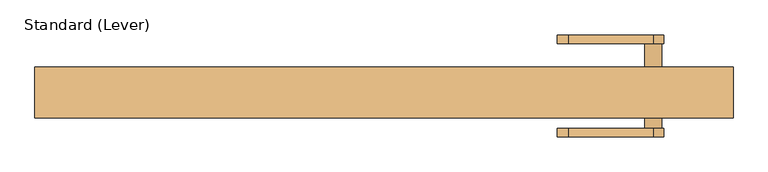
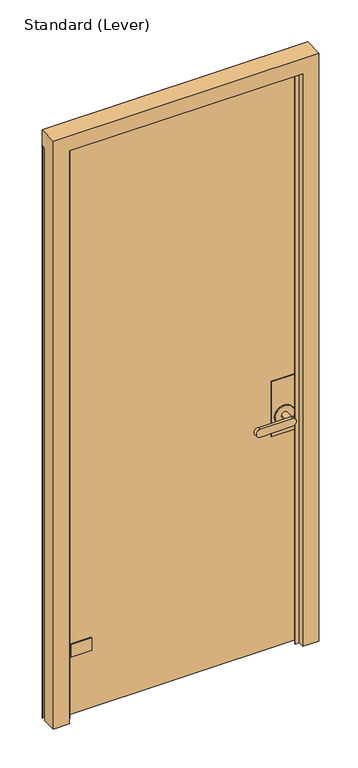
"""IFC4 building model written with IfcOpenShell, lengths in millimetres: door geometry, Standard (Lever)."""

from ifc_helpers import new_model, si_unit, frame, origin, place, context, project, spatial, polyline, circle_curve, outline, extrude, faceted_brep, source, transform, mapped, element, save
from ifc_brep_helpers import plane_surface, cylinder_surface, revolved_surface, advanced_brep


def standard_lever_da16fde5(model_context):
    return source(origin(), model_context, "Body", "SolidModel", [
        advanced_brep(
        [(-440.3328125, 23.0182831, 304.8), (-438.1500584, 5.55625, 304.8), (-355.6, 5.55625, 304.8), (-355.6, 11.90625, 304.8), (-413.828963, 11.90625, 304.8), (-424.8274856, 18.25625, 304.8), (-434.4509234, 34.9245331, 304.8), (-445.29375, 37.8298597, 304.8), (-455.6125, 31.8723266, 304.8), (-457.2, 29.122696, 304.8), (-457.2, -7.1442169, 304.8), (-455.19975, -7.1442169, 304.8), (-455.19975, 5.5557831, 304.8), (-453.1995, 6.710628, 304.8), (-453.1995, 19.8432831, 304.8), (-450.0245, 23.0182831, 304.8), (-440.3328125, 23.0182831, 292.1), (-450.0245, 23.0182831, 292.1), (-453.1995, 19.8432831, 292.1), (-453.1995, 6.710628, 292.1), (-455.19975, 5.5557831, 292.1), (-455.19975, -7.1442169, 292.1), (-457.2, -7.1442169, 292.1), (-457.2, 29.122696, 292.1), (-455.6125, 31.8723266, 292.1), (-445.29375, 37.8298597, 292.1), (-434.4509234, 34.9245331, 292.1), (-440.3404743, 23.0795774, 290.5125), (-440.3404743, 23.0795774, 268.2875), (-440.3404743, 23.0795774, 266.7), (-440.3328125, 23.0182831, 254.0), (-438.1500584, 5.55625, 254.0), (-355.6, 5.55625, 254.0), (-355.6, 11.90625, 254.0), (-413.828963, 11.90625, 254.0), (-413.828963, 11.90625, 266.7), (-413.828963, 11.90625, 292.1), (-424.8274856, 18.25625, 292.1), (-424.8274856, 18.25625, 266.7), (-424.8274856, 18.25625, 254.0), (-434.4509234, 34.9245331, 254.0), (-434.4509234, 34.9245331, 266.7), (-434.4509234, 34.9245331, 268.2875), (-434.4509234, 34.9245331, 290.5125), (-433.3875, 30.9557831, 290.5125), (-433.3875, 30.9557831, 268.2875), (-445.29375, 37.8298597, 266.7), (-455.6125, 31.8723266, 266.7), (-457.2, 29.122696, 266.7), (-457.2, -7.1442169, 266.7), (-455.19975, -7.1442169, 266.7), (-455.19975, 5.5557831, 266.7), (-453.1995, 6.710628, 266.7), (-453.1995, 19.8432831, 266.7), (-450.0245, 23.0182831, 266.7), (-450.0245, 23.0182831, 254.0), (-453.1995, 19.8432831, 254.0), (-453.1995, 6.710628, 254.0), (-455.19975, 5.5557831, 254.0), (-455.19975, -7.1442169, 254.0), (-457.2, -7.1442169, 254.0), (-457.2, 29.122696, 254.0), (-455.6125, 31.8723266, 254.0), (-445.29375, 37.8298597, 254.0), (-449.2625, 30.9557831, 290.5125), (-444.5, 30.9557831, 290.5125), (-438.15, 30.9557831, 290.5125), (-449.2625, 30.9557831, 268.2875), (-444.5, 30.9557831, 268.2875), (-438.15, 30.9557831, 268.2875)],
        [
            (0, 1),
            (1, 2),
            (2, 3),
            (3, 4),
            (4, 5, circle_curve(frame((-413.828963, 24.60625, 304.8), z_axis=(0.0, 0.0, -1.0), x_axis=(0.0, -1.0, 0.0)), 12.7)),
            (5, 6),
            (6, 7, circle_curve(frame((-441.325, 30.9557831, 304.8), z_axis=(0.0, 0.0, 1.0), x_axis=(0.0, -1.0, 0.0)), 7.9375)),
            (7, 8),
            (8, 9, circle_curve(frame((-454.025, 29.122696, 304.8), z_axis=(0.0, 0.0, 1.0), x_axis=(-0.5000000000000575, 0.8660254037844055, 0.0)), 3.175)),
            (9, 10),
            (10, 11),
            (11, 12),
            (12, 13),
            (13, 14),
            (14, 15, circle_curve(frame((-450.0245, 19.8432831, 304.8), z_axis=(0.0, 0.0, -1.0), x_axis=(-1.0, 0.0, 0.0)), 3.175)),
            (15, 0),
            (16, 17),
            (17, 18, circle_curve(frame((-450.0245, 19.8432831, 292.1), z_axis=(0.0, 0.0, 1.0), x_axis=(-1.0, 0.0, 0.0)), 3.175)),
            (18, 19),
            (19, 20),
            (20, 21),
            (21, 22),
            (22, 23),
            (23, 24, circle_curve(frame((-454.025, 29.122696, 292.1), z_axis=(0.0, 0.0, -1.0), x_axis=(-0.5000000000000575, 0.8660254037844055, 0.0)), 3.175)),
            (24, 25),
            (25, 26, circle_curve(frame((-441.325, 30.9557831, 292.1), z_axis=(0.0, 0.0, -1.0), x_axis=(0.0, -1.0, 0.0)), 7.9375)),
            (26, 16, circle_curve(frame((-441.325, 30.9557831, 292.1), z_axis=(0.0, 0.0, -1.0), x_axis=(0.0, -1.0, 0.0)), 7.9375)),
            (7, 25),
            (24, 8),
            (23, 9),
            (22, 10),
            (21, 11),
            (20, 12),
            (19, 13),
            (18, 14),
            (17, 15),
            (16, 0),
            (16, 27),
            (27, 28),
            (28, 29),
            (29, 30),
            (30, 31),
            (31, 1),
            (31, 32),
            (32, 2),
            (32, 33),
            (33, 3),
            (33, 34),
            (34, 35),
            (35, 36),
            (36, 4),
            (36, 37, circle_curve(frame((-413.828963, 24.60625, 292.1), z_axis=(0.0, 0.0, -1.0), x_axis=(0.0, -1.0, 0.0)), 12.7)),
            (37, 5),
            (37, 38),
            (38, 39),
            (39, 40),
            (40, 41),
            (41, 42),
            (42, 43),
            (43, 26),
            (26, 6),
            (35, 38, circle_curve(frame((-413.828963, 24.60625, 266.7), z_axis=(0.0, 0.0, -1.0), x_axis=(0.0, -1.0, 0.0)), 12.7)),
            (43, 44, circle_curve(frame((-441.325, 30.9557831, 290.5125), z_axis=(0.0, 0.0, -1.0), x_axis=(0.0, -1.0, 0.0)), 7.9375)),
            (44, 27, circle_curve(frame((-441.325, 30.9557831, 290.5125), z_axis=(0.0, 0.0, -1.0), x_axis=(0.0, -1.0, 0.0)), 7.9375)),
            (41, 29, circle_curve(frame((-441.325, 30.9557831, 266.7), z_axis=(0.0, 0.0, -1.0), x_axis=(0.0, -1.0, 0.0)), 7.9375)),
            (28, 45, circle_curve(frame((-441.325, 30.9557831, 268.2875), z_axis=(0.0, 0.0, 1.0), x_axis=(0.0, -1.0, 0.0)), 7.9375)),
            (45, 42, circle_curve(frame((-441.325, 30.9557831, 268.2875), z_axis=(0.0, 0.0, 1.0), x_axis=(0.0, -1.0, 0.0)), 7.9375)),
            (41, 46, circle_curve(frame((-441.325, 30.9557831, 266.7), z_axis=(0.0, 0.0, 1.0), x_axis=(0.0, -1.0, 0.0)), 7.9375)),
            (46, 47),
            (47, 48, circle_curve(frame((-454.025, 29.122696, 266.7), z_axis=(0.0, 0.0, 1.0), x_axis=(-0.5000000000000575, 0.8660254037844055, 0.0)), 3.175)),
            (48, 49),
            (49, 50),
            (50, 51),
            (51, 52),
            (52, 53),
            (53, 54, circle_curve(frame((-450.0245, 19.8432831, 266.7), z_axis=(0.0, 0.0, -1.0), x_axis=(-1.0, 0.0, 0.0)), 3.175)),
            (54, 29),
            (30, 55),
            (55, 56, circle_curve(frame((-450.0245, 19.8432831, 254.0), z_axis=(0.0, 0.0, 1.0), x_axis=(-1.0, 0.0, 0.0)), 3.175)),
            (56, 57),
            (57, 58),
            (58, 59),
            (59, 60),
            (60, 61),
            (61, 62, circle_curve(frame((-454.025, 29.122696, 254.0), z_axis=(0.0, 0.0, -1.0), x_axis=(-0.5000000000000575, 0.8660254037844055, 0.0)), 3.175)),
            (62, 63),
            (63, 40, circle_curve(frame((-441.325, 30.9557831, 254.0), z_axis=(0.0, 0.0, -1.0), x_axis=(0.0, -1.0, 0.0)), 7.9375)),
            (39, 34, circle_curve(frame((-413.828963, 24.60625, 254.0), z_axis=(0.0, 0.0, 1.0), x_axis=(0.0, -1.0, 0.0)), 12.7)),
            (63, 46),
            (62, 47),
            (61, 48),
            (60, 49),
            (59, 50),
            (58, 51),
            (57, 52),
            (56, 53),
            (55, 54),
            (64, 27, circle_curve(frame((-441.325, 30.9557831, 290.5125), z_axis=(0.0, 0.0, 1.0), x_axis=(1.0, 0.0, 0.0)), 7.9375)),
            (43, 64, circle_curve(frame((-441.325, 30.9557831, 290.5125), z_axis=(0.0, 0.0, 1.0), x_axis=(1.0, 0.0, 0.0)), 7.9375)),
            (65, 66, circle_curve(frame((-441.325, 30.9557831, 290.5125), z_axis=(0.0, 0.0, -1.0), x_axis=(1.0, 0.0, 0.0)), 3.175)),
            (66, 65, circle_curve(frame((-441.325, 30.9557831, 290.5125), z_axis=(0.0, 0.0, -1.0), x_axis=(1.0, 0.0, 0.0)), 3.175)),
            (28, 67, circle_curve(frame((-441.325, 30.9557831, 268.2875), z_axis=(0.0, 0.0, -1.0), x_axis=(1.0, 0.0, 0.0)), 7.9375)),
            (67, 42, circle_curve(frame((-441.325, 30.9557831, 268.2875), z_axis=(0.0, 0.0, -1.0), x_axis=(1.0, 0.0, 0.0)), 7.9375)),
            (68, 69, circle_curve(frame((-441.325, 30.9557831, 268.2875), z_axis=(0.0, 0.0, 1.0), x_axis=(1.0, 0.0, 0.0)), 3.175)),
            (69, 68, circle_curve(frame((-441.325, 30.9557831, 268.2875), z_axis=(0.0, 0.0, 1.0), x_axis=(1.0, 0.0, 0.0)), 3.175)),
            (65, 68),
            (69, 66),
            (64, 67),
        ],
        [
            plane_surface(frame((-440.3328125, 23.0182831, 304.8), z_axis=(0.0, 0.0, 1.0), x_axis=(0.12403473458190235, -0.9922778767145809, 0.0))),
            plane_surface(frame((-440.3328125, 23.0182831, 292.1), z_axis=(0.0, 0.0, -1.0), x_axis=(-0.12403473458190235, 0.9922778767145809, 0.0))),
            plane_surface(frame((-445.29375, 37.8298597, 304.8), z_axis=(-0.5000000000001321, 0.8660254037843624, 0.0), x_axis=(0.0, 0.0, -1.0))),
            cylinder_surface(frame((-454.025, 29.122696, 292.1), z_axis=(0.0, 0.0, 1.0), x_axis=(-0.5000000000000575, 0.8660254037844055, 0.0)), 3.175),
            plane_surface(frame((-457.2, 29.122696, 304.8), z_axis=(-1.0, 0.0, 0.0), x_axis=(0.0, 0.0, -1.0))),
            plane_surface(frame((-457.2, -7.1442169, 304.8), z_axis=(0.0, -1.0, 0.0), x_axis=(0.0, 0.0, -1.0))),
            plane_surface(frame((-455.19975, -7.1442169, 304.8), z_axis=(1.0, 0.0, 0.0), x_axis=(0.0, 0.0, -1.0))),
            plane_surface(frame((-455.19975, 5.5557831, 304.8), z_axis=(0.4999999999997088, -0.8660254037846068, 0.0), x_axis=(0.0, 0.0, -1.0))),
            plane_surface(frame((-453.1995, 6.710628, 304.8), z_axis=(1.0, 0.0, 0.0), x_axis=(0.0, 0.0, -1.0))),
            revolved_surface(polyline([(-453.1995, 19.8432831, 292.1), (-453.1995, 19.8432831, 304.8)]), (-450.0245, 19.8432831, 292.1), (0.0, 0.0, -1.0)),
            plane_surface(frame((-450.0245, 23.0182831, 304.8), z_axis=(0.0, -1.0, 0.0), x_axis=(0.0, 0.0, -1.0))),
            plane_surface(frame((-440.3328125, 23.0182831, 304.8), z_axis=(-0.9922778767145809, -0.12403473458190235, 0.0), x_axis=(0.0, 0.0, -1.0))),
            plane_surface(frame((-438.1500584, 5.55625, 304.8), z_axis=(0.0, -1.0, 0.0), x_axis=(0.0, 0.0, -1.0))),
            plane_surface(frame((-355.6, 5.55625, 304.8), z_axis=(1.0, 0.0, 0.0), x_axis=(0.0, 0.0, -1.0))),
            plane_surface(frame((-355.6, 11.90625, 304.8), z_axis=(0.0, 1.0, 0.0), x_axis=(0.0, 0.0, -1.0))),
            revolved_surface(polyline([(-413.828963, 11.90625, 292.1), (-413.828963, 11.90625, 304.8)]), (-413.828963, 24.60625, 292.1), (0.0, 0.0, -1.0)),
            plane_surface(frame((-424.8274856, 18.25625, 304.8), z_axis=(0.8660254037845987, 0.49999999999972294, 0.0), x_axis=(0.0, 0.0, -1.0))),
            cylinder_surface(frame((-441.325, 30.9557831, 292.1), z_axis=(0.0, 0.0, 1.0), x_axis=(0.0, -1.0, 0.0)), 7.9375),
            revolved_surface(polyline([(-413.828963, 11.90625, 266.7), (-413.828963, 11.90625, 292.1)]), (-413.828963, 24.60625, 266.7), (0.0, 0.0, -1.0)),
            revolved_surface(polyline([(-441.325, 23.0182831, 290.5125), (-441.325, 23.0182831, 292.1)]), (-441.325, 30.9557831, 266.7), (0.0, 0.0, -1.0)),
            revolved_surface(polyline([(-441.325, 23.0182831, 266.7), (-441.325, 23.0182831, 268.2875)]), (-441.325, 30.9557831, 266.7), (0.0, 0.0, -1.0)),
            plane_surface(frame((-440.3404743, 23.0795774, 266.7), z_axis=(0.0, 0.0, 1.0), x_axis=(0.1240347345819024, -0.9922778767145809, 0.0))),
            plane_surface(frame((-440.3404743, 23.0795774, 254.0), z_axis=(0.0, 0.0, -1.0), x_axis=(-0.1240347345819024, 0.9922778767145809, 0.0))),
            cylinder_surface(frame((-441.325, 30.9557831, 254.0), z_axis=(0.0, 0.0, 1.0), x_axis=(0.0, -1.0, 0.0)), 7.9375),
            plane_surface(frame((-445.29375, 37.8298597, 266.7), z_axis=(-0.500000000000132, 0.8660254037843624, 0.0), x_axis=(0.0, 0.0, -1.0))),
            cylinder_surface(frame((-454.025, 29.122696, 254.0), z_axis=(0.0, 0.0, 1.0), x_axis=(-0.5000000000000575, 0.8660254037844055, 0.0)), 3.175),
            plane_surface(frame((-457.2, 29.122696, 266.7), z_axis=(-1.0, 0.0, 0.0), x_axis=(0.0, 0.0, -1.0))),
            plane_surface(frame((-457.2, -7.1442169, 266.7), z_axis=(0.0, -1.0, 0.0), x_axis=(0.0, 0.0, -1.0))),
            plane_surface(frame((-455.19975, -7.1442169, 266.7), z_axis=(1.0, 0.0, 0.0), x_axis=(0.0, 0.0, -1.0))),
            plane_surface(frame((-455.19975, 5.5557831, 266.7), z_axis=(0.4999999999997088, -0.8660254037846068, 0.0), x_axis=(0.0, 0.0, -1.0))),
            plane_surface(frame((-453.1995, 6.710628, 266.7), z_axis=(1.0, 0.0, 0.0), x_axis=(0.0, 0.0, -1.0))),
            revolved_surface(polyline([(-453.1995, 19.8432831, 254.0), (-453.1995, 19.8432831, 266.7)]), (-450.0245, 19.8432831, 254.0), (0.0, 0.0, -1.0)),
            plane_surface(frame((-450.0245, 23.0182831, 266.7), z_axis=(0.0, -1.0, 0.0), x_axis=(0.0, 0.0, -1.0))),
            revolved_surface(polyline([(-413.828963, 11.90625, 254.0), (-413.828963, 11.90625, 266.7)]), (-413.828963, 24.60625, 254.0), (0.0, 0.0, -1.0)),
            plane_surface(frame((-438.15, 30.9557831, 290.5125), z_axis=(0.0, 0.0, 1.0), x_axis=(0.0, -1.0, 0.0))),
            plane_surface(frame((-438.15, 30.9557831, 268.2875), z_axis=(0.0, 0.0, -1.0), x_axis=(0.0, 1.0, 0.0))),
            revolved_surface(polyline([(-438.15, 30.9557831, 268.2875), (-438.15, 30.9557831, 290.5125)]), (-441.325, 30.9557831, 268.2875), (0.0, 0.0, -1.0)),
            cylinder_surface(frame((-441.325, 30.9557831, 254.0), z_axis=(0.0, 0.0, 1.0), x_axis=(1.0, 0.0, 0.0)), 7.9375),
        ],
        [
            (0, [[1, 2, 3, 4, 5, 6, 7, 8, 9, 10, 11, 12, 13, 14, 15, 16]]),
            (1, [[17, 18, 19, 20, 21, 22, 23, 24, 25, 26, 27]]),
            (2, [[-8, 28, -25, 29]]),
            (3, [[-9, -29, -24, 30]]),
            (4, [[-10, -30, -23, 31]]),
            (5, [[-11, -31, -22, 32]]),
            (6, [[-12, -32, -21, 33]]),
            (7, [[-13, -33, -20, 34]]),
            (8, [[-14, -34, -19, 35]]),
            (9, [[-15, -35, -18, 36]]),
            (10, [[-16, -36, -17, 37]]),
            (11, [[-1, -37, 38, 39, 40, 41, 42, 43]]),
            (12, [[-2, -43, 44, 45]]),
            (13, [[-3, -45, 46, 47]]),
            (14, [[-4, -47, 48, 49, 50, 51]]),
            (15, [[-5, -51, 52, 53]]),
            (16, [[-6, -53, 54, 55, 56, 57, 58, 59, 60, 61]]),
            (17, [[-7, -61, -26, -28]]),
            (18, [[-50, 62, -54, -52]]),
            (19, [[-27, -60, 63, 64, -38]]),
            (20, [[65, -40, 66, 67, -58]]),
            (21, [[68, 69, 70, 71, 72, 73, 74, 75, 76, 77, -65]]),
            (22, [[78, 79, 80, 81, 82, 83, 84, 85, 86, 87, -56, 88, -48, -46, -44, -42]]),
            (23, [[-68, -57, -87, 89]]),
            (24, [[-69, -89, -86, 90]]),
            (25, [[-70, -90, -85, 91]]),
            (26, [[-71, -91, -84, 92]]),
            (27, [[-72, -92, -83, 93]]),
            (28, [[-73, -93, -82, 94]]),
            (29, [[-74, -94, -81, 95]]),
            (30, [[-75, -95, -80, 96]]),
            (31, [[-76, -96, -79, 97]]),
            (32, [[-77, -97, -78, -41]]),
            (33, [[-88, -55, -62, -49]]),
            (34, [[98, -64, -63, 99], [100, 101]]),
            (35, [[102, 103, -67, -66], [104, 105]]),
            (36, [[-100, 106, -105, 107]]),
            (36, [[-101, -107, -104, -106]]),
            (37, [[108, -102, -39, -98]]),
            (37, [[-108, -99, -59, -103]]),
        ],
    ),
        extrude(outline(polyline([(-355.6, -13.49375), (-438.15, -13.49375), (-438.15, -7.14375), (-355.6, -7.14375), (-355.6, -13.49375)])), frame((0.0, 0.0, 254.0), z_axis=(0.0, 0.0, 1.0), x_axis=(1.0, 0.0, 0.0)), (0.0, 0.0, 1.0), 50.8),
        advanced_brep(
        [(452.4375, 29.36875, 1117.6), (350.8375, 29.36875, 1117.6), (350.8375, 5.55625, 1117.6), (439.7375, 5.55625, 1117.6), (439.7375, -7.14375, 1117.6), (350.8375, -7.14375, 1117.6), (350.8375, -8.73125, 1117.6), (452.4375, -8.73125, 1117.6), (452.4375, 29.36875, 889.0), (452.4375, -8.73125, 889.0), (350.8375, -8.73125, 889.0), (350.8375, -7.14375, 889.0), (439.7375, -7.14375, 889.0), (439.7375, 5.55625, 889.0), (350.8375, 5.55625, 889.0), (350.8375, 29.36875, 889.0), (439.7375, 29.36875, 965.2), (363.5375, 29.36875, 965.2), (439.7375, -13.49375, 965.2), (363.5375, -13.49375, 965.2), (388.9375, -13.49375, 965.2), (414.3375, -13.49375, 965.2), (363.5375, -8.73125, 965.2), (439.7375, -8.73125, 965.2), (414.3375, -53.18125, 965.2), (388.9375, -53.18125, 965.2), (274.6375, -65.88125, 949.325), (401.6375, -65.88125, 949.325), (401.6375, -65.88125, 981.075), (274.6375, -65.88125, 981.075), (274.6375, -53.18125, 949.325), (274.6375, -53.18125, 981.075), (401.6375, -53.18125, 981.075), (401.6375, -53.18125, 949.325), (414.3375, 34.13125, 965.2), (388.9375, 34.13125, 965.2), (388.9375, 73.81875, 965.2), (414.3375, 73.81875, 965.2), (439.7375, 34.13125, 965.2), (363.5375, 34.13125, 965.2), (401.6375, 73.81875, 949.325), (401.6375, 73.81875, 981.075), (274.6375, 73.81875, 981.075), (274.6375, 73.81875, 949.325), (401.6375, 86.51875, 949.325), (274.6375, 86.51875, 949.325), (274.6375, 86.51875, 981.075), (401.6375, 86.51875, 981.075)],
        [
            (0, 1),
            (1, 2),
            (2, 3),
            (3, 4),
            (4, 5),
            (5, 6),
            (6, 7),
            (7, 0),
            (8, 9),
            (9, 10),
            (10, 11),
            (11, 12),
            (12, 13),
            (13, 14),
            (14, 15),
            (15, 8),
            (7, 9),
            (8, 0),
            (2, 14),
            (13, 3),
            (1, 15),
            (16, 17, circle_curve(frame((401.6375, 29.36875, 965.2), z_axis=(0.0, -1.0, 0.0), x_axis=(-1.0, 0.0, 0.0)), 38.1)),
            (17, 16, circle_curve(frame((401.6375, 29.36875, 965.2), z_axis=(0.0, -1.0, 0.0), x_axis=(-1.0, 0.0, 0.0)), 38.1)),
            (5, 11),
            (10, 6),
            (4, 12),
            (18, 19, circle_curve(frame((401.6375, -13.49375, 965.2), z_axis=(0.0, -1.0, 0.0), x_axis=(-1.0, 0.0, 0.0)), 38.1)),
            (19, 18, circle_curve(frame((401.6375, -13.49375, 965.2), z_axis=(0.0, -1.0, 0.0), x_axis=(-1.0, 0.0, 0.0)), 38.1)),
            (20, 21, circle_curve(frame((401.6375, -13.49375, 965.2), z_axis=(0.0, 1.0, 0.0), x_axis=(-1.0, 0.0, 0.0)), 12.7)),
            (21, 20, circle_curve(frame((401.6375, -13.49375, 965.2), z_axis=(0.0, 1.0, 0.0), x_axis=(-1.0, 0.0, 0.0)), 12.7)),
            (19, 22),
            (22, 23, circle_curve(frame((401.6375, -8.73125, 965.2), z_axis=(0.0, -1.0, 0.0), x_axis=(-1.0, 0.0, 0.0)), 38.1)),
            (23, 18),
            (23, 22, circle_curve(frame((401.6375, -8.73125, 965.2), z_axis=(0.0, -1.0, 0.0), x_axis=(-1.0, 0.0, 0.0)), 38.1)),
            (24, 25, circle_curve(frame((401.6375, -53.18125, 965.2), z_axis=(0.0, 1.0, 0.0), x_axis=(-1.0, 0.0, 0.0)), 12.7)),
            (25, 20),
            (21, 24),
            (25, 24, circle_curve(frame((401.6375, -53.18125, 965.2), z_axis=(0.0, 1.0, 0.0), x_axis=(-1.0, 0.0, 0.0)), 12.7)),
            (26, 27),
            (27, 28, circle_curve(frame((401.6375, -65.88125, 965.2), z_axis=(0.0, -1.0, 0.0), x_axis=(-1.0, 0.0, 0.0)), 15.875)),
            (28, 29),
            (29, 26, circle_curve(frame((274.6375, -65.88125, 965.2), z_axis=(0.0, -1.0, 0.0), x_axis=(-1.0, 0.0, 0.0)), 15.875)),
            (30, 31, circle_curve(frame((274.6375, -53.18125, 965.2), z_axis=(0.0, 1.0, 0.0), x_axis=(-1.0, 0.0, 0.0)), 15.875)),
            (31, 32),
            (32, 33, circle_curve(frame((401.6375, -53.18125, 965.2), z_axis=(0.0, 1.0, 0.0), x_axis=(-1.0, 0.0, 0.0)), 15.875)),
            (33, 30),
            (29, 31),
            (30, 26),
            (28, 32),
            (27, 33),
            (34, 35, circle_curve(frame((401.6375, 34.13125, 965.2), z_axis=(0.0, 1.0, 0.0), x_axis=(-1.0, 0.0, 0.0)), 12.7)),
            (35, 36),
            (36, 37, circle_curve(frame((401.6375, 73.81875, 965.2), z_axis=(0.0, -1.0, 0.0), x_axis=(-1.0, 0.0, 0.0)), 12.7)),
            (37, 34),
            (37, 36, circle_curve(frame((401.6375, 73.81875, 965.2), z_axis=(0.0, -1.0, 0.0), x_axis=(-1.0, 0.0, 0.0)), 12.7)),
            (35, 34, circle_curve(frame((401.6375, 34.13125, 965.2), z_axis=(0.0, 1.0, 0.0), x_axis=(-1.0, 0.0, 0.0)), 12.7)),
            (38, 39, circle_curve(frame((401.6375, 34.13125, 965.2), z_axis=(0.0, 1.0, 0.0), x_axis=(-1.0, 0.0, 0.0)), 38.1)),
            (39, 38, circle_curve(frame((401.6375, 34.13125, 965.2), z_axis=(0.0, 1.0, 0.0), x_axis=(-1.0, 0.0, 0.0)), 38.1)),
            (38, 16),
            (17, 39),
            (40, 41, circle_curve(frame((401.6375, 73.81875, 965.2), z_axis=(0.0, -1.0, 0.0), x_axis=(-1.0, 0.0, 0.0)), 15.875)),
            (41, 42),
            (42, 43, circle_curve(frame((274.6375, 73.81875, 965.2), z_axis=(0.0, -1.0, 0.0), x_axis=(-1.0, 0.0, 0.0)), 15.875)),
            (43, 40),
            (44, 45),
            (45, 46, circle_curve(frame((274.6375, 86.51875, 965.2), z_axis=(0.0, 1.0, 0.0), x_axis=(-1.0, 0.0, 0.0)), 15.875)),
            (46, 47),
            (47, 44, circle_curve(frame((401.6375, 86.51875, 965.2), z_axis=(0.0, 1.0, 0.0), x_axis=(-1.0, 0.0, 0.0)), 15.875)),
            (43, 45),
            (44, 40),
            (42, 46),
            (41, 47),
        ],
        [
            plane_surface(frame((452.4375, 117.2130478, 1117.6), z_axis=(0.0, 0.0, 1.0), x_axis=(0.0, -1.0, 0.0))),
            plane_surface(frame((452.4375, 117.2130478, 889.0), z_axis=(0.0, 0.0, -1.0), x_axis=(0.0, 1.0, 0.0))),
            plane_surface(frame((452.4375, 29.36875, 1117.6), z_axis=(1.0, 0.0, 0.0), x_axis=(0.0, 0.0, -1.0))),
            plane_surface(frame((439.7375, 5.55625, 1117.6), z_axis=(0.0, -1.0, 0.0), x_axis=(0.0, 0.0, -1.0))),
            plane_surface(frame((350.8375, 5.55625, 1117.6), z_axis=(-1.0, 0.0, 0.0), x_axis=(0.0, 0.0, -1.0))),
            plane_surface(frame((350.8375, 29.36875, 1117.6), z_axis=(0.0, 1.0, 0.0), x_axis=(0.0, 0.0, -1.0))),
            plane_surface(frame((350.8375, -8.73125, 1117.6), z_axis=(-1.0, 0.0, 0.0), x_axis=(0.0, 0.0, -1.0))),
            plane_surface(frame((350.8375, -7.14375, 1117.6), z_axis=(0.0, 1.0, 0.0), x_axis=(0.0, 0.0, -1.0))),
            plane_surface(frame((363.5375, -13.49375, 965.2), z_axis=(0.0, -1.0, 0.0), x_axis=(0.0, 0.0, 1.0))),
            cylinder_surface(frame((401.6375, -8.73125, 965.2), z_axis=(0.0, -1.0, 0.0), x_axis=(-1.0, 0.0, 0.0)), 38.1),
            cylinder_surface(frame((401.6375, -13.49375, 965.2), z_axis=(0.0, -1.0, 0.0), x_axis=(-1.0, 0.0, 0.0)), 12.7),
            plane_surface(frame((258.7625, -65.88125, 965.2), z_axis=(0.0, -1.0, 0.0), x_axis=(0.0, 0.0, 1.0))),
            plane_surface(frame((258.7625, -53.18125, 965.2), z_axis=(0.0, 1.0, 0.0), x_axis=(0.0, 0.0, -1.0))),
            cylinder_surface(frame((274.6375, -53.18125, 965.2), z_axis=(0.0, -1.0, 0.0), x_axis=(-1.0, 0.0, 0.0)), 15.875),
            plane_surface(frame((274.6375, -65.88125, 981.075), z_axis=(0.0, 0.0, 1.0), x_axis=(0.0, 1.0, 0.0))),
            cylinder_surface(frame((401.6375, -53.18125, 965.2), z_axis=(0.0, -1.0, 0.0), x_axis=(-1.0, 0.0, 0.0)), 15.875),
            plane_surface(frame((401.6375, -65.88125, 949.325), z_axis=(0.0, 0.0, -1.0), x_axis=(0.0, 1.0, 0.0))),
            cylinder_surface(frame((401.6375, 73.81875, 965.2), z_axis=(0.0, -1.0, 0.0), x_axis=(-1.0, 0.0, 0.0)), 12.7),
            plane_surface(frame((363.5375, 34.13125, 965.2), z_axis=(0.0, 1.0, 0.0), x_axis=(0.0, 0.0, -1.0))),
            cylinder_surface(frame((401.6375, 34.13125, 965.2), z_axis=(0.0, -1.0, 0.0), x_axis=(-1.0, 0.0, 0.0)), 38.1),
            plane_surface(frame((401.6375, 73.81875, 949.325), z_axis=(0.0, -1.0, 0.0), x_axis=(-1.0, 0.0, 0.0))),
            plane_surface(frame((401.6375, 86.51875, 949.325), z_axis=(0.0, 1.0, 0.0), x_axis=(1.0, 0.0, 0.0))),
            plane_surface(frame((401.6375, 73.81875, 949.325), z_axis=(0.0, 0.0, -1.0), x_axis=(0.0, 1.0, 0.0))),
            cylinder_surface(frame((274.6375, 86.51875, 965.2), z_axis=(0.0, -1.0, 0.0), x_axis=(-1.0, 0.0, 0.0)), 15.875),
            plane_surface(frame((274.6375, 73.81875, 981.075), z_axis=(0.0, 0.0, 1.0), x_axis=(0.0, 1.0, 0.0))),
            cylinder_surface(frame((401.6375, 86.51875, 965.2), z_axis=(0.0, -1.0, 0.0), x_axis=(-1.0, 0.0, 0.0)), 15.875),
            plane_surface(frame((452.4375, -8.73125, 1117.6), z_axis=(0.0, -1.0, 0.0), x_axis=(0.0, 0.0, -1.0))),
            plane_surface(frame((439.7375, -7.14375, 1117.6), z_axis=(-1.0, 0.0, 0.0), x_axis=(0.0, 0.0, -1.0))),
        ],
        [
            (0, [[1, 2, 3, 4, 5, 6, 7, 8]]),
            (1, [[9, 10, 11, 12, 13, 14, 15, 16]]),
            (2, [[17, -9, 18, -8]]),
            (3, [[19, -14, 20, -3]]),
            (4, [[21, -15, -19, -2]]),
            (5, [[-18, -16, -21, -1], [22, 23]]),
            (6, [[24, -11, 25, -6]]),
            (7, [[26, -12, -24, -5]]),
            (8, [[27, 28], [29, 30]]),
            (9, [[31, 32, 33, -28]]),
            (9, [[-33, 34, -31, -27]]),
            (10, [[35, 36, -30, 37]]),
            (10, [[-29, -36, 38, -37]]),
            (11, [[39, 40, 41, 42]]),
            (12, [[43, 44, 45, 46], [-38, -35]]),
            (13, [[47, -43, 48, -42]]),
            (14, [[49, -44, -47, -41]]),
            (15, [[50, -45, -49, -40]]),
            (16, [[-48, -46, -50, -39]]),
            (17, [[51, 52, 53, 54]]),
            (17, [[55, -52, 56, -54]]),
            (18, [[57, 58], [-56, -51]]),
            (19, [[59, -23, 60, -57]]),
            (19, [[-60, -22, -59, -58]]),
            (20, [[61, 62, 63, 64], [-55, -53]]),
            (21, [[65, 66, 67, 68]]),
            (22, [[69, -65, 70, -64]]),
            (23, [[71, -66, -69, -63]]),
            (24, [[72, -67, -71, -62]]),
            (25, [[-70, -68, -72, -61]]),
            (26, [[-25, -10, -17, -7], [-34, -32]]),
            (27, [[-20, -13, -26, -4]]),
        ],
    ),
        extrude(outline(polyline([(452.4375, 5.55625), (452.4375, -7.14375), (-452.4375, -7.14375), (-452.4375, 5.55625), (452.4375, 5.55625)])), frame((0.0, 0.0, 12.7), z_axis=(0.0, 0.0, 1.0), x_axis=(1.0, 0.0, 0.0)), (0.0, 0.0, 1.0), 2357.4375),
        faceted_brep([(457.2, 38.1, 0.0), (520.6999977, 38.1, 0.0), (520.6999977, 36.5125, 0.0), (519.1124977, 36.5125, 0.0), (519.1124977, 37.30625, 0.0), (488.95, 37.30625, 0.0), (488.95, 19.05, 0.0), (510.3742434, 19.05, 0.0), (511.374256, 18.0499874, 0.0), (509.8000186, 18.0499874, 0.0), (509.8000186, 16.24994, 0.0), (514.8000134, 16.24994, 0.0), (514.8000134, 18.0499874, 0.0), (513.2257405, 18.0499874, 0.0), (514.2257562, 19.0500031, 0.0), (520.7, 19.0500031, 0.0), (520.7, -38.1, 0.0), (457.2, -38.1, 0.0), (457.2, -14.2875, 0.0), (442.9125, -14.2875, 0.0), (442.9125, -9.525, 0.0), (445.29375, -9.525, 0.0), (445.29375, -10.31875, 0.0), (444.5, -10.31875, 0.0), (444.5, -12.7, 0.0), (450.85, -12.7, 0.0), (450.85, -10.31875, 0.0), (450.05625, -10.31875, 0.0), (450.05625, -9.525, 0.0), (452.4375, -9.525, 0.0), (452.4375, -12.7, 0.0), (457.2, -12.7, 0.0), (520.7, 38.1, 2438.4), (520.7, -38.1, 2438.4), (520.7, 19.0500031, 2374.9), (520.7, 36.5125, 2374.9), (-520.6999977, 38.1, 0.0), (-520.7, 38.1, 2438.4), (457.2, 38.1, 2374.9), (-457.2, 38.1, 2374.9), (-457.2, 38.1, 0.0), (-520.7, -38.1, 2438.4), (-520.7, -38.1, 0.0), (-457.2, -38.1, 0.0), (-457.2, -38.1, 2374.9), (457.2, -38.1, 2374.9), (514.2257562, 19.0500031, 2374.9), (519.1124977, 36.5125, 2374.9), (-457.2, -12.7, 0.0), (-452.4375, -12.7, 0.0), (-452.4375, -9.525, 0.0), (-450.05625, -9.525, 0.0), (-450.05625, -10.31875, 0.0), (-450.85, -10.31875, 0.0), (-450.85, -12.7, 0.0), (-444.5, -12.7, 0.0), (-444.5, -10.31875, 0.0), (-445.29375, -10.31875, 0.0), (-445.29375, -9.525, 0.0), (-442.9125, -9.525, 0.0), (-442.9125, -14.2875, 0.0), (-457.2, -14.2875, 0.0), (-520.7, 19.0500031, 0.0), (-514.2257562, 19.0500031, 0.0), (-513.2257405, 18.0499874, 0.0), (-514.8000134, 18.0499874, 0.0), (-514.8000134, 16.24994, 0.0), (-509.8000186, 16.24994, 0.0), (-509.8000186, 18.0499874, 0.0), (-511.374256, 18.0499874, 0.0), (-510.3742434, 19.05, 0.0), (-488.95, 19.05, 0.0), (-488.95, 37.30625, 0.0), (-519.1124977, 37.30625, 0.0), (-519.1124977, 36.5125, 0.0), (-520.6999977, 36.5125, 0.0), (-520.7, 36.5125, 2374.9), (-520.7, 19.0500031, 2374.9), (-519.1124977, 36.5125, 2374.9), (-514.2257562, 19.0500031, 2374.9), (457.2, -12.7, 2360.6125), (457.2, -9.525, 2360.6125), (457.2, -9.525, 2362.99375), (457.2, -10.31875, 2362.99375), (457.2, -10.31875, 2362.2), (457.2, -12.7, 2362.2), (457.2, -12.7, 2368.55), (457.2, -10.31875, 2368.55), (457.2, -10.31875, 2367.75625), (457.2, -9.525, 2367.75625), (457.2, -9.525, 2370.1375), (457.2, -12.7, 2370.1375), (457.2, -12.7, 2374.9), (-457.2, -12.7, 2374.9), (-457.2, -12.7, 2370.1375), (-457.2, -9.525, 2370.1375), (-457.2, -9.525, 2367.75625), (-457.2, -10.31875, 2367.75625), (-457.2, -10.31875, 2368.55), (-457.2, -12.7, 2368.55), (-457.2, -12.7, 2362.2), (-457.2, -10.31875, 2362.2), (-457.2, -10.31875, 2362.99375), (-457.2, -9.525, 2362.99375), (-457.2, -9.525, 2360.6125), (-457.2, -12.7, 2360.6125), (519.1124977, 37.30625, 2374.9), (488.95, 37.30625, 2374.9), (488.95, 19.05, 2374.9), (510.3742434, 19.05, 2374.9), (511.374256, 18.0499874, 2374.9), (509.8000186, 18.0499874, 2374.9), (509.8000186, 16.24994, 2374.9), (514.8000134, 16.24994, 2374.9), (514.8000134, 18.0499874, 2374.9), (513.2257405, 18.0499874, 2374.9), (457.2, -14.2875, 2374.9), (-457.2, -14.2875, 2374.9), (-442.9125, -14.2875, 2360.6125), (442.9125, -14.2875, 2360.6125), (442.9125, -9.525, 2360.6125), (442.9125, -9.525, 2367.75625), (442.9125, -9.525, 2362.99375), (442.9125, -10.31875, 2362.99375), (442.9125, -10.31875, 2362.2), (442.9125, -12.7, 2362.2), (442.9125, -12.7, 2368.55), (442.9125, -10.31875, 2368.55), (442.9125, -10.31875, 2367.75625), (442.9125, -9.525, 2374.9), (442.9125, -9.525, 2370.1375), (442.9125, -12.7, 2370.1375), (442.9125, -12.7, 2374.9), (-442.9125, -9.525, 2360.6125), (-445.29375, -9.525, 2360.6125), (-450.05625, -9.525, 2360.6125), (-452.4375, -9.525, 2360.6125), (-452.4375, -9.525, 2362.99375), (-452.4375, -9.525, 2367.75625), (-452.4375, -9.525, 2370.1375), (-452.4375, -9.525, 2374.9), (-450.05625, -9.525, 2374.9), (-450.05625, -9.525, 2370.1375), (-445.29375, -9.525, 2370.1375), (-445.29375, -9.525, 2374.9), (-442.9125, -9.525, 2374.9), (-442.9125, -9.525, 2370.1375), (445.29375, -9.525, 2374.9), (445.29375, -9.525, 2370.1375), (450.05625, -9.525, 2370.1375), (450.05625, -9.525, 2374.9), (452.4375, -9.525, 2374.9), (452.4375, -9.525, 2370.1375), (452.4375, -9.525, 2367.75625), (452.4375, -9.525, 2362.99375), (452.4375, -9.525, 2360.6125), (450.05625, -9.525, 2360.6125), (445.29375, -9.525, 2360.6125), (445.29375, -9.525, 2362.99375), (450.05625, -9.525, 2362.99375), (450.05625, -9.525, 2367.75625), (445.29375, -9.525, 2367.75625), (-445.29375, -9.525, 2367.75625), (-450.05625, -9.525, 2367.75625), (-450.05625, -9.525, 2362.99375), (-445.29375, -9.525, 2362.99375), (-442.9125, -9.525, 2367.75625), (-442.9125, -9.525, 2362.99375), (445.29375, -10.31875, 2360.6125), (445.29375, -10.31875, 2367.75625), (445.29375, -10.31875, 2362.99375), (445.29375, -10.31875, 2374.9), (445.29375, -10.31875, 2370.1375), (444.5, -10.31875, 2360.6125), (450.85, -10.31875, 2360.6125), (450.05625, -10.31875, 2360.6125), (-450.05625, -10.31875, 2360.6125), (-450.85, -10.31875, 2360.6125), (-444.5, -10.31875, 2360.6125), (-445.29375, -10.31875, 2360.6125), (-442.9125, -10.31875, 2362.99375), (-442.9125, -10.31875, 2362.2), (-442.9125, -10.31875, 2368.55), (-442.9125, -10.31875, 2367.75625), (450.05625, -10.31875, 2374.9), (450.05625, -10.31875, 2370.1375), (450.85, -10.31875, 2370.1375), (450.85, -10.31875, 2374.9), (452.4375, -10.31875, 2362.99375), (452.4375, -10.31875, 2362.2), (452.4375, -10.31875, 2368.55), (452.4375, -10.31875, 2367.75625), (444.5, -10.31875, 2374.9), (444.5, -10.31875, 2370.1375), (450.85, -10.31875, 2362.2), (450.85, -10.31875, 2368.55), (444.5, -10.31875, 2368.55), (444.5, -10.31875, 2362.2), (450.05625, -10.31875, 2362.99375), (450.05625, -10.31875, 2367.75625), (-452.4375, -10.31875, 2368.55), (-452.4375, -10.31875, 2367.75625), (-452.4375, -10.31875, 2362.99375), (-452.4375, -10.31875, 2362.2), (-450.05625, -10.31875, 2370.1375), (-450.05625, -10.31875, 2374.9), (-450.85, -10.31875, 2374.9), (-450.85, -10.31875, 2370.1375), (-444.5, -10.31875, 2370.1375), (-444.5, -10.31875, 2374.9), (-445.29375, -10.31875, 2374.9), (-445.29375, -10.31875, 2370.1375), (-444.5, -10.31875, 2368.55), (-450.85, -10.31875, 2368.55), (-450.85, -10.31875, 2362.2), (-444.5, -10.31875, 2362.2), (-450.05625, -10.31875, 2367.75625), (-445.29375, -10.31875, 2367.75625), (-445.29375, -10.31875, 2362.99375), (-450.05625, -10.31875, 2362.99375), (444.5, -12.7, 2360.6125), (444.5, -12.7, 2374.9), (444.5, -12.7, 2370.1375), (444.5, -12.7, 2362.2), (444.5, -12.7, 2368.55), (450.85, -12.7, 2360.6125), (450.85, -12.7, 2370.1375), (450.85, -12.7, 2374.9), (450.85, -12.7, 2362.2), (450.85, -12.7, 2368.55), (452.4375, -12.7, 2360.6125), (452.4375, -12.7, 2374.9), (452.4375, -12.7, 2370.1375), (452.4375, -12.7, 2368.55), (452.4375, -12.7, 2362.2), (-452.4375, -12.7, 2360.6125), (-452.4375, -12.7, 2362.2), (-452.4375, -12.7, 2368.55), (-452.4375, -12.7, 2370.1375), (-452.4375, -12.7, 2374.9), (-450.85, -12.7, 2360.6125), (-450.85, -12.7, 2374.9), (-450.85, -12.7, 2370.1375), (-450.85, -12.7, 2368.55), (-450.85, -12.7, 2362.2), (-444.5, -12.7, 2360.6125), (-444.5, -12.7, 2370.1375), (-444.5, -12.7, 2374.9), (-444.5, -12.7, 2362.2), (-444.5, -12.7, 2368.55), (-442.9125, -12.7, 2368.55), (-442.9125, -12.7, 2362.2), (-442.9125, -12.7, 2374.9), (-442.9125, -12.7, 2370.1375), (-513.2257405, 18.0499874, 2374.9), (-514.8000134, 18.0499874, 2374.9), (-514.8000134, 16.24994, 2374.9), (-509.8000186, 16.24994, 2374.9), (-509.8000186, 18.0499874, 2374.9), (-511.374256, 18.0499874, 2374.9), (-510.3742434, 19.05, 2374.9), (-488.95, 19.05, 2374.9), (-488.95, 37.30625, 2374.9), (-519.1124977, 37.30625, 2374.9)], [[[0, 1, 2, 3, 4, 5, 6, 7, 8, 9, 10, 11, 12, 13, 14, 15, 16, 17, 18, 19, 20, 21, 22, 23, 24, 25, 26, 27, 28, 29, 30, 31]], [[2, 1, 32, 33, 16, 15, 34, 35]], [[36, 37, 32, 1, 0, 38, 39, 40]], [[41, 42, 43, 44, 45, 17, 16, 33]], [[15, 14, 46, 34]], [[3, 2, 35, 47]], [[40, 48, 49, 50, 51, 52, 53, 54, 55, 56, 57, 58, 59, 60, 61, 43, 42, 62, 63, 64, 65, 66, 67, 68, 69, 70, 71, 72, 73, 74, 75, 36]], [[36, 75, 76, 77, 62, 42, 41, 37]], [[75, 74, 78, 76]], [[63, 62, 77, 79]], [[0, 31, 80, 81, 82, 83, 84, 85, 86, 87, 88, 89, 90, 91, 92, 38]], [[48, 40, 39, 93, 94, 95, 96, 97, 98, 99, 100, 101, 102, 103, 104, 105]], [[4, 3, 47, 106]], [[5, 4, 106, 107]], [[6, 5, 107, 108]], [[7, 6, 108, 109]], [[8, 7, 109, 110]], [[9, 8, 110, 111]], [[10, 9, 111, 112]], [[11, 10, 112, 113]], [[12, 11, 113, 114]], [[13, 12, 114, 115]], [[14, 13, 115, 46]], [[18, 17, 45, 116]], [[19, 18, 116, 117, 61, 60, 118, 119]], [[20, 19, 119, 120]], [[121, 122, 123, 124, 125, 126, 127, 128]], [[129, 130, 131, 132]], [[21, 20, 120, 133, 59, 58, 134, 135, 51, 50, 136, 104, 103, 137, 138, 96, 95, 139, 140, 141, 142, 143, 144, 145, 146, 130, 129, 147, 148, 149, 150, 151, 152, 90, 89, 153, 154, 82, 81, 155, 29, 28, 156, 157], [158, 159, 160, 161], [162, 163, 164, 165], [121, 166, 167, 122]], [[22, 21, 157, 168]], [[169, 170, 158, 161]], [[171, 172, 148, 147]], [[23, 22, 168, 173]], [[27, 26, 174, 175]], [[53, 52, 176, 177]], [[57, 56, 178, 179]], [[124, 123, 180, 181]], [[128, 127, 182, 183]], [[184, 185, 186, 187]], [[83, 188, 189, 84]], [[87, 190, 191, 88]], [[192, 193, 172, 171]], [[194, 195, 196, 197], [198, 170, 169, 199]], [[200, 98, 97, 201]], [[202, 102, 101, 203]], [[204, 205, 206, 207]], [[208, 209, 210, 211]], [[212, 213, 214, 215], [216, 217, 218, 219]], [[24, 23, 173, 220]], [[193, 192, 221, 222]], [[223, 197, 196, 224]], [[25, 24, 220, 225]], [[26, 25, 225, 174]], [[187, 186, 226, 227]], [[194, 228, 229, 195]], [[28, 27, 175, 156]], [[150, 149, 185, 184]], [[198, 199, 160, 159]], [[30, 29, 155, 230]], [[152, 151, 231, 232]], [[154, 153, 191, 190, 233, 234, 189, 188]], [[31, 30, 230, 80]], [[49, 48, 105, 235]], [[50, 49, 235, 136]], [[138, 137, 202, 203, 236, 237, 200, 201]], [[140, 139, 238, 239]], [[52, 51, 135, 176]], [[142, 141, 205, 204]], [[164, 163, 216, 219]], [[54, 53, 177, 240]], [[207, 206, 241, 242]], [[214, 213, 243, 244]], [[55, 54, 240, 245]], [[56, 55, 245, 178]], [[209, 208, 246, 247]], [[212, 215, 248, 249]], [[58, 57, 179, 134]], [[162, 165, 218, 217]], [[211, 210, 144, 143]], [[60, 59, 133, 118]], [[167, 166, 183, 182, 250, 251, 181, 180]], [[146, 145, 252, 253]], [[43, 61, 117, 44]], [[64, 63, 79, 254]], [[65, 64, 254, 255]], [[66, 65, 255, 256]], [[67, 66, 256, 257]], [[68, 67, 257, 258]], [[69, 68, 258, 259]], [[70, 69, 259, 260]], [[71, 70, 260, 261]], [[72, 71, 261, 262]], [[73, 72, 262, 263]], [[74, 73, 263, 78]], [[41, 33, 32, 37]], [[35, 34, 46, 115, 114, 113, 112, 111, 110, 109, 108, 107, 106, 47]], [[77, 76, 78, 263, 262, 261, 260, 259, 258, 257, 256, 255, 254, 79]], [[92, 231, 151, 150, 184, 187, 227, 221, 192, 171, 147, 129, 132, 252, 145, 144, 210, 209, 247, 241, 206, 205, 141, 140, 239, 93, 39, 38]], [[117, 116, 45, 44]], [[155, 81, 80, 230]], [[157, 156, 175, 174, 225, 220, 173, 168]], [[120, 119, 118, 133]], [[104, 136, 235, 105]], [[135, 134, 179, 178, 245, 240, 177, 176]], [[123, 122, 167, 180]], [[137, 103, 102, 202]], [[82, 154, 188, 83]], [[159, 158, 170, 198]], [[165, 164, 219, 218]], [[121, 128, 183, 166]], [[96, 138, 201, 97]], [[163, 162, 217, 216]], [[88, 191, 153, 89]], [[199, 169, 161, 160]], [[131, 130, 146, 253]], [[139, 95, 94, 238]], [[143, 142, 204, 207, 242, 246, 208, 211]], [[149, 148, 172, 193, 222, 226, 186, 185]], [[90, 152, 232, 91]], [[125, 124, 181, 251]], [[84, 189, 234, 85]], [[203, 101, 100, 236]], [[215, 214, 244, 248]], [[223, 228, 194, 197]], [[127, 126, 250, 182]], [[98, 200, 237, 99]], [[213, 212, 249, 243]], [[86, 233, 190, 87]], [[229, 224, 196, 195]], [[126, 125, 251, 250]], [[85, 234, 233, 86]], [[228, 223, 224, 229]], [[236, 100, 99, 237]], [[248, 244, 243, 249]], [[132, 131, 253, 252]], [[91, 232, 231, 92]], [[226, 222, 221, 227]], [[238, 94, 93, 239]], [[246, 242, 241, 247]]]),
    ])


if __name__ == "__main__":
    model = new_model("IFC4")
    model_context = context("Model", 3, world=origin())
    ifc_project = project(units=[si_unit("LENGTHUNIT", "METRE", prefix="MILLI")], contexts=[model_context])
    site = spatial("IfcSite", under=ifc_project)
    building = spatial("IfcBuilding", under=site)
    placement = place(None, origin())
    standard_lever_shape = standard_lever_da16fde5(model_context)
    element("IfcDoor", 1, ObjectType="Standard (Lever)", at=placement, inside=building, context=model_context, shape_type="MappedRepresentation", body=[
        mapped(standard_lever_shape, transform((0.0, 0.0, 0.0), x_axis=(1.0, 0.0, 0.0), y_axis=(0.0, 1.0, 0.0), z_axis=(0.0, 0.0, 1.0))),
    ])
    save(model, "model.ifc")
